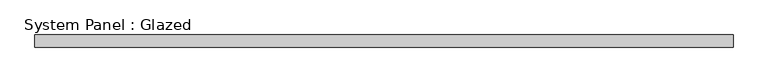
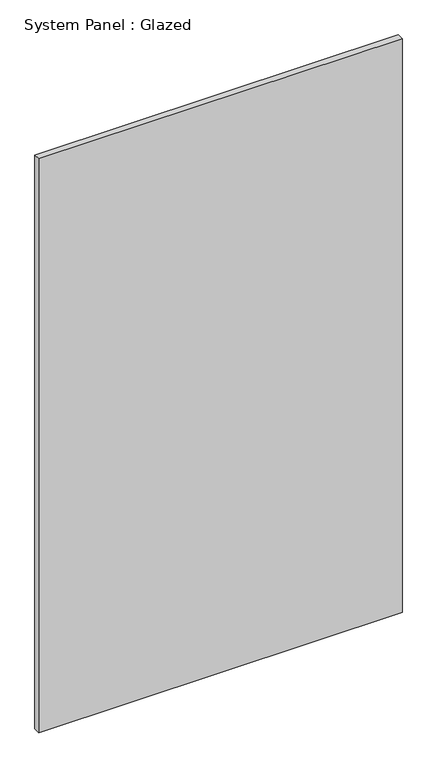
"""IFC4 building model written with IfcOpenShell, lengths in millimetres: plate geometry, System Panel : Glazed."""

from ifc_helpers import new_model, si_unit, origin, origin_with_axes, place, context, project, spatial, polyline, outline, extrude, source, transform, mapped, element, save


def system_panel_glazed_c836c854(model_context):
    return source(origin(), model_context, "Body", "SweptSolid", [
        extrude(outline(polyline([(696.0526316, 24.5), (-696.0526316, 24.5), (-696.0526316, 49.5), (696.0526316, 49.5), (696.0526316, 24.5)])), origin_with_axes(), (0.0, 0.0, 1.0), 2325.0),
    ])


if __name__ == "__main__":
    model = new_model("IFC4")
    model_context = context("Model", 3, world=origin())
    ifc_project = project(units=[si_unit("LENGTHUNIT", "METRE", prefix="MILLI")], contexts=[model_context])
    site = spatial("IfcSite", under=ifc_project)
    building = spatial("IfcBuilding", under=site)
    placement = place(None, origin())
    system_panel_glazed_shape = system_panel_glazed_c836c854(model_context)
    element("IfcPlate", 1, ObjectType="System Panel : Glazed", at=placement, inside=building, context=model_context, shape_type="MappedRepresentation", body=[
        mapped(system_panel_glazed_shape, transform((0.0, 0.0, 0.0), x_axis=(1.0, 0.0, 0.0), y_axis=(0.0, 1.0, 0.0), z_axis=(0.0, 0.0, 1.0))),
    ])
    save(model, "model.ifc")
